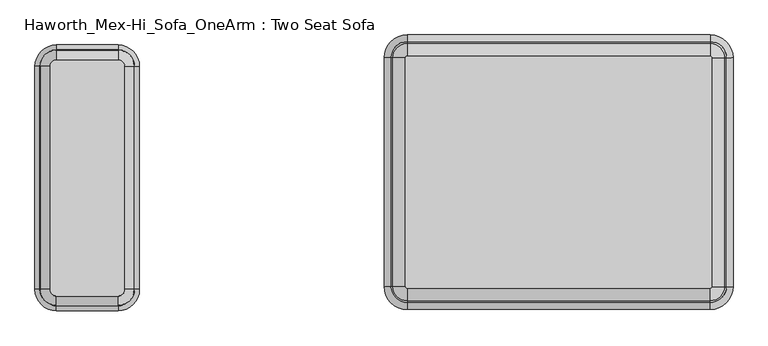
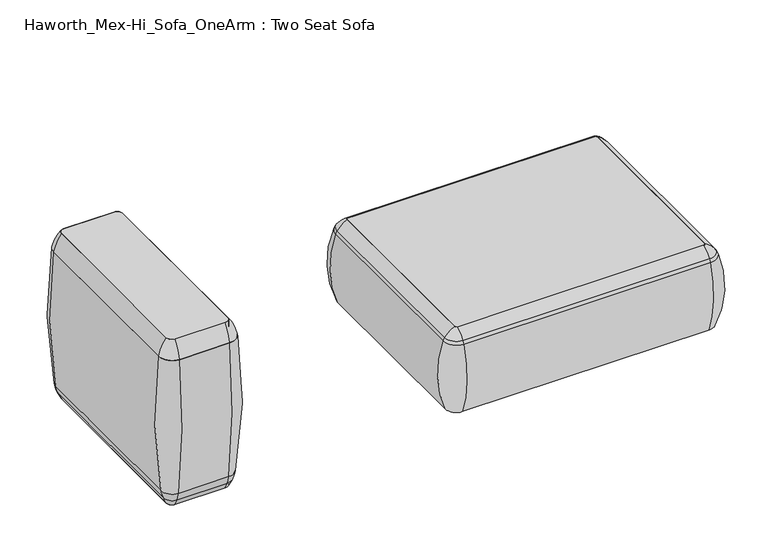
"""IFC4 building model written with IfcOpenShell, lengths in millimetres: furniture geometry, Haworth_Mex-Hi_Sofa_OneArm : Two Seat Sofa."""

from ifc_helpers import new_model, si_unit, point, frame, frame_2d, origin, place, context, project, spatial, polyline, circle_curve, ellipse_curve, trimmed, segment, composite_curve, outline, extrude, source, transform, mapped, element, save
from ifc_brep_helpers import plane_surface, cylinder_surface, revolved_surface, advanced_brep


def haworth_mex_hi_sofa_onearm_two_seat_sofa_c8e1b5d7(model_context):
    return source(origin(), model_context, "Body", "SolidModel", [
        advanced_brep(
        [(-841.831867, -723.6878152, 172.8832103), (-805.8090558, -687.665004, 172.8832103), (-799.8057646, -687.665004, 622.5428731), (-841.831867, -729.6911064, 622.5428731), (-841.831867, -715.7737554, 145.7420675), (-813.7231156, -687.665004, 145.7420675), (-841.831867, -705.1100792, 123.9999984), (-824.3867918, -687.665004, 123.9999984), (-841.831867, -705.1100792, 676.7599216), (-824.3867918, -687.665004, 676.7599216), (-1000.554649, -729.6911064, 622.5428731), (-1000.554649, -723.6878152, 172.8832103), (-1000.554649, -715.7737554, 145.7420675), (-1000.554649, -705.1100792, 123.9999984), (-1000.554649, -705.1100792, 676.7599216), (-1036.5774602, -687.665004, 172.8832103), (-1042.5807514, -687.665004, 622.5428731), (-1028.6634004, -687.665004, 145.7420675), (-1017.9997243, -687.665004, 123.9999984), (-1017.9997243, -687.665004, 676.7599216), (-1042.5807514, -113.9650752, 622.5428731), (-1036.5774602, -113.9650752, 172.8832103), (-1028.6634004, -113.9650752, 145.7420675), (-1017.9997243, -113.9650752, 123.9999984), (-1017.9997243, -113.9650752, 676.7599216), (-1000.554649, -77.9422641, 172.8832103), (-1000.554649, -71.9389729, 622.5428731), (-1000.554649, -85.8563238, 145.7420675), (-1000.554649, -96.52, 123.9999984), (-1000.554649, -96.52, 676.7599216), (-841.831867, -71.9389729, 622.5428731), (-841.831867, -77.9422641, 172.8832103), (-841.831867, -85.8563238, 145.7420675), (-841.831867, -96.52, 123.9999984), (-841.831867, -96.52, 676.7599216), (-805.8090558, -113.9650752, 172.8832103), (-799.8057646, -113.9650752, 622.5428731), (-813.7231156, -113.9650752, 145.7420675), (-824.3867918, -113.9650752, 123.9999984), (-824.3867918, -113.9650752, 676.7599216), (-841.831867, -729.4564007, 624.0097122), (-800.0404704, -687.665004, 624.0097122), (-1000.554649, -729.4564007, 624.0097122), (-1042.3460457, -687.665004, 624.0097122), (-1042.3460457, -113.9650752, 624.0097122), (-1000.554649, -72.1736786, 624.0097122), (-841.831867, -72.1736786, 624.0097122), (-800.0404704, -113.9650752, 624.0097122)],
        [
            (0, 1, circle_curve(frame((-841.831867, -687.665004, 172.8832103), z_axis=(0.0, 0.0, 1.0), x_axis=(1.0, 0.0, 0.0)), 36.0228111)),
            (1, 2, circle_curve(frame((-2366.9005751, -687.665004, 418.5948497), z_axis=(0.0, -1.0, 0.0), x_axis=(1.0, 0.0, 0.0)), 1580.3103939)),
            (2, 3, circle_curve(frame((-841.831867, -687.665004, 622.5428731), z_axis=(0.0, 0.0, -1.0), x_axis=(1.0, 0.0, 0.0)), 42.0261023)),
            (3, 0, circle_curve(frame((-841.831867, 837.4037041, 418.5948497), z_axis=(1.0, 0.0, 0.0), x_axis=(0.0, -1.0, 0.0)), 1580.3103939)),
            (4, 5, circle_curve(frame((-841.831867, -687.665004, 145.7420675), z_axis=(0.0, 0.0, 1.0), x_axis=(1.0, 0.0, 0.0)), 28.1087514)),
            (5, 1, circle_curve(frame((-915.5356418, -687.665004, 190.1538821), z_axis=(0.0, -1.0, 0.0), x_axis=(1.0, 0.0, 0.0)), 111.0774494)),
            (0, 4, circle_curve(frame((-841.831867, -613.9612292, 190.1538821), z_axis=(1.0, 0.0, 0.0), x_axis=(0.0, -1.0, 0.0)), 111.0774494)),
            (6, 7, circle_curve(frame((-841.831867, -687.665004, 123.9999984), z_axis=(0.0, 0.0, 1.0), x_axis=(1.0, 0.0, 0.0)), 17.4450752)),
            (7, 5, circle_curve(frame((-1062.3097905, -687.665004, 254.1784823), z_axis=(0.0, -1.0, 0.0), x_axis=(1.0, 0.0, 0.0)), 271.2080216)),
            (4, 6, circle_curve(frame((-841.831867, -467.1870805, 254.1784823), z_axis=(1.0, 0.0, 0.0), x_axis=(0.0, -1.0, 0.0)), 271.2080216)),
            (8, 9, circle_curve(frame((-841.831867, -687.665004, 676.7599216), z_axis=(0.0, 0.0, 1.0), x_axis=(1.0, 0.0, 0.0)), 17.4450752)),
            (9, 7),
            (6, 8),
            (3, 10),
            (10, 11, circle_curve(frame((-1000.554649, 837.4037041, 418.5948497), z_axis=(1.0, 0.0, 0.0), x_axis=(0.0, -1.0, 0.0)), 1580.3103939)),
            (11, 0),
            (11, 12, circle_curve(frame((-1000.554649, -613.9612292, 190.1538821), z_axis=(1.0, 0.0, 0.0), x_axis=(0.0, -1.0, 0.0)), 111.0774494)),
            (12, 4),
            (12, 13, circle_curve(frame((-1000.554649, -467.1870805, 254.1784823), z_axis=(1.0, 0.0, 0.0), x_axis=(0.0, -1.0, 0.0)), 271.2080216)),
            (13, 6),
            (13, 14),
            (14, 8),
            (15, 11, circle_curve(frame((-1000.554649, -687.665004, 172.8832103), z_axis=(0.0, 0.0, 1.0), x_axis=(0.0, -1.0, 0.0)), 36.0228111)),
            (10, 16, circle_curve(frame((-1000.554649, -687.665004, 622.5428731), z_axis=(0.0, 0.0, -1.0), x_axis=(0.0, -1.0, 0.0)), 42.0261023)),
            (16, 15, circle_curve(frame((524.5140591, -687.665004, 418.5948497), z_axis=(0.0, -1.0, 0.0), x_axis=(-1.0, 0.0, 0.0)), 1580.3103939)),
            (17, 12, circle_curve(frame((-1000.554649, -687.665004, 145.7420675), z_axis=(0.0, 0.0, 1.0), x_axis=(0.0, -1.0, 0.0)), 28.1087514)),
            (15, 17, circle_curve(frame((-926.8508742, -687.665004, 190.1538821), z_axis=(0.0, -1.0, 0.0), x_axis=(-1.0, 0.0, 0.0)), 111.0774494)),
            (18, 13, circle_curve(frame((-1000.554649, -687.665004, 123.9999984), z_axis=(0.0, 0.0, 1.0), x_axis=(0.0, -1.0, 0.0)), 17.4450752)),
            (17, 18, circle_curve(frame((-780.0767255, -687.665004, 254.1784823), z_axis=(0.0, -1.0, 0.0), x_axis=(-1.0, 0.0, 0.0)), 271.2080216)),
            (19, 14, circle_curve(frame((-1000.554649, -687.665004, 676.7599216), z_axis=(0.0, 0.0, 1.0), x_axis=(0.0, -1.0, 0.0)), 17.4450752)),
            (18, 19),
            (16, 20),
            (20, 21, circle_curve(frame((524.5140591, -113.9650752, 418.5948497), z_axis=(0.0, -1.0, 0.0), x_axis=(-1.0, 0.0, 0.0)), 1580.3103939)),
            (21, 15),
            (21, 22, circle_curve(frame((-926.8508742, -113.9650752, 190.1538821), z_axis=(0.0, -1.0, 0.0), x_axis=(-1.0, 0.0, 0.0)), 111.0774494)),
            (22, 17),
            (22, 23, circle_curve(frame((-780.0767255, -113.9650752, 254.1784823), z_axis=(0.0, -1.0, 0.0), x_axis=(-1.0, 0.0, 0.0)), 271.2080216)),
            (23, 18),
            (23, 24),
            (24, 19),
            (25, 21, circle_curve(frame((-1000.554649, -113.9650752, 172.8832103), z_axis=(0.0, 0.0, 1.0), x_axis=(-1.0, 0.0, 0.0)), 36.0228111)),
            (20, 26, circle_curve(frame((-1000.554649, -113.9650752, 622.5428731), z_axis=(0.0, 0.0, -1.0), x_axis=(-1.0, 0.0, 0.0)), 42.0261023)),
            (26, 25, circle_curve(frame((-1000.554649, -1639.0337833, 418.5948497), z_axis=(-1.0, 0.0, 0.0), x_axis=(0.0, 1.0, 0.0)), 1580.3103939)),
            (27, 22, circle_curve(frame((-1000.554649, -113.9650752, 145.7420675), z_axis=(0.0, 0.0, 1.0), x_axis=(-1.0, 0.0, 0.0)), 28.1087514)),
            (25, 27, circle_curve(frame((-1000.554649, -187.66885, 190.1538821), z_axis=(-1.0, 0.0, 0.0), x_axis=(0.0, 1.0, 0.0)), 111.0774494)),
            (28, 23, circle_curve(frame((-1000.554649, -113.9650752, 123.9999984), z_axis=(0.0, 0.0, 1.0), x_axis=(-1.0, 0.0, 0.0)), 17.4450752)),
            (27, 28, circle_curve(frame((-1000.554649, -334.4429987, 254.1784823), z_axis=(-1.0, 0.0, 0.0), x_axis=(0.0, 1.0, 0.0)), 271.2080216)),
            (29, 24, circle_curve(frame((-1000.554649, -113.9650752, 676.7599216), z_axis=(0.0, 0.0, 1.0), x_axis=(-1.0, 0.0, 0.0)), 17.4450752)),
            (28, 29),
            (26, 30),
            (30, 31, circle_curve(frame((-841.831867, -1639.0337833, 418.5948497), z_axis=(-1.0, 0.0, 0.0), x_axis=(0.0, 1.0, 0.0)), 1580.3103939)),
            (31, 25),
            (31, 32, circle_curve(frame((-841.831867, -187.66885, 190.1538821), z_axis=(-1.0, 0.0, 0.0), x_axis=(0.0, 1.0, 0.0)), 111.0774494)),
            (32, 27),
            (32, 33, circle_curve(frame((-841.831867, -334.4429987, 254.1784823), z_axis=(-1.0, 0.0, 0.0), x_axis=(0.0, 1.0, 0.0)), 271.2080216)),
            (33, 28),
            (33, 34),
            (34, 29),
            (35, 31, circle_curve(frame((-841.831867, -113.9650752, 172.8832103), z_axis=(0.0, 0.0, 1.0), x_axis=(0.0, 1.0, 0.0)), 36.0228111)),
            (30, 36, circle_curve(frame((-841.831867, -113.9650752, 622.5428731), z_axis=(0.0, 0.0, -1.0), x_axis=(0.0, 1.0, 0.0)), 42.0261023)),
            (36, 35, circle_curve(frame((-2366.9005751, -113.9650752, 418.5948497), z_axis=(0.0, 1.0, 0.0), x_axis=(1.0, 0.0, 0.0)), 1580.3103939)),
            (37, 32, circle_curve(frame((-841.831867, -113.9650752, 145.7420675), z_axis=(0.0, 0.0, 1.0), x_axis=(0.0, 1.0, 0.0)), 28.1087514)),
            (35, 37, circle_curve(frame((-915.5356418, -113.9650752, 190.1538821), z_axis=(0.0, 1.0, 0.0), x_axis=(1.0, 0.0, 0.0)), 111.0774494)),
            (38, 33, circle_curve(frame((-841.831867, -113.9650752, 123.9999984), z_axis=(0.0, 0.0, 1.0), x_axis=(0.0, 1.0, 0.0)), 17.4450752)),
            (37, 38, circle_curve(frame((-1062.3097905, -113.9650752, 254.1784823), z_axis=(0.0, 1.0, 0.0), x_axis=(1.0, 0.0, 0.0)), 271.2080216)),
            (39, 34, circle_curve(frame((-841.831867, -113.9650752, 676.7599216), z_axis=(0.0, 0.0, 1.0), x_axis=(0.0, 1.0, 0.0)), 17.4450752)),
            (38, 39),
            (36, 2),
            (1, 35),
            (5, 37),
            (7, 38),
            (9, 39),
            (40, 41, circle_curve(frame((-841.831867, -687.665004, 624.0097122), z_axis=(0.0, 0.0, 1.0), x_axis=(1.0, 0.0, 0.0)), 41.7913966)),
            (41, 9, circle_curve(frame((-917.9291956, -687.665004, 601.5928757), z_axis=(0.0, -1.0, 0.0), x_axis=(1.0, 0.0, 0.0)), 120.0011087)),
            (8, 40, circle_curve(frame((-841.831867, -611.5676755, 601.5928757), z_axis=(1.0, 0.0, 0.0), x_axis=(0.0, -1.0, 0.0)), 120.0011087)),
            (2, 41, circle_curve(frame((-824.9933533, -687.665004, 619.264859), z_axis=(0.0, -1.0, 0.0), x_axis=(1.0, 0.0, 0.0)), 25.4)),
            (40, 3, circle_curve(frame((-841.831867, -704.5035177, 619.264859), z_axis=(1.0, 0.0, 0.0), x_axis=(0.0, -1.0, 0.0)), 25.4)),
            (14, 42, circle_curve(frame((-1000.554649, -611.5676755, 601.5928757), z_axis=(1.0, 0.0, 0.0), x_axis=(0.0, -1.0, 0.0)), 120.0011087)),
            (42, 40),
            (42, 10, circle_curve(frame((-1000.554649, -704.5035177, 619.264859), z_axis=(1.0, 0.0, 0.0), x_axis=(0.0, -1.0, 0.0)), 25.4)),
            (43, 42, circle_curve(frame((-1000.554649, -687.665004, 624.0097122), z_axis=(0.0, 0.0, 1.0), x_axis=(0.0, -1.0, 0.0)), 41.7913966)),
            (19, 43, circle_curve(frame((-924.4573205, -687.665004, 601.5928757), z_axis=(0.0, -1.0, 0.0), x_axis=(-1.0, 0.0, 0.0)), 120.0011087)),
            (43, 16, circle_curve(frame((-1017.3931627, -687.665004, 619.264859), z_axis=(0.0, -1.0, 0.0), x_axis=(-1.0, 0.0, 0.0)), 25.4)),
            (24, 44, circle_curve(frame((-924.4573205, -113.9650752, 601.5928757), z_axis=(0.0, -1.0, 0.0), x_axis=(-1.0, 0.0, 0.0)), 120.0011087)),
            (44, 43),
            (44, 20, circle_curve(frame((-1017.3931627, -113.9650752, 619.264859), z_axis=(0.0, -1.0, 0.0), x_axis=(-1.0, 0.0, 0.0)), 25.4)),
            (45, 44, circle_curve(frame((-1000.554649, -113.9650752, 624.0097122), z_axis=(0.0, 0.0, 1.0), x_axis=(-1.0, 0.0, 0.0)), 41.7913966)),
            (29, 45, circle_curve(frame((-1000.554649, -190.0624038, 601.5928757), z_axis=(-1.0, 0.0, 0.0), x_axis=(0.0, 1.0, 0.0)), 120.0011087)),
            (45, 26, circle_curve(frame((-1000.554649, -97.1265615, 619.264859), z_axis=(-1.0, 0.0, 0.0), x_axis=(0.0, 1.0, 0.0)), 25.4)),
            (34, 46, circle_curve(frame((-841.831867, -190.0624038, 601.5928757), z_axis=(-1.0, 0.0, 0.0), x_axis=(0.0, 1.0, 0.0)), 120.0011087)),
            (46, 45),
            (46, 30, circle_curve(frame((-841.831867, -97.1265615, 619.264859), z_axis=(-1.0, 0.0, 0.0), x_axis=(0.0, 1.0, 0.0)), 25.4)),
            (47, 46, circle_curve(frame((-841.831867, -113.9650752, 624.0097122), z_axis=(0.0, 0.0, 1.0), x_axis=(0.0, 1.0, 0.0)), 41.7913966)),
            (39, 47, circle_curve(frame((-917.9291956, -113.9650752, 601.5928757), z_axis=(0.0, 1.0, 0.0), x_axis=(1.0, 0.0, 0.0)), 120.0011087)),
            (47, 36, circle_curve(frame((-824.9933533, -113.9650752, 619.264859), z_axis=(0.0, 1.0, 0.0), x_axis=(1.0, 0.0, 0.0)), 25.4)),
            (41, 47),
        ],
        [
            revolved_surface(trimmed(ellipse_curve(frame((-2366.9005751, -687.665004, 418.5948497), z_axis=(0.0, 1.0, 0.0), x_axis=(1.0, 0.0, 0.0)), 1580.3103939, 1580.3103939), [point((-799.8057646, -687.665004, 622.5428731))], [point((-805.8090558, -687.665004, 172.8832103))], True, "CARTESIAN"), (-841.831867, -687.665004, -1.2587073), (0.0, 0.0, -1.0)),
            revolved_surface(trimmed(ellipse_curve(frame((-915.5356418, -687.665004, 190.1538821), z_axis=(0.0, 1.0, 0.0), x_axis=(1.0, 0.0, 0.0)), 111.0774494, 111.0774494), [point((-805.8090558, -687.665004, 172.8832103))], [point((-813.7231156, -687.665004, 145.7420675))], True, "CARTESIAN"), (-841.831867, -687.665004, -1.2587073), (0.0, 0.0, -1.0)),
            revolved_surface(trimmed(ellipse_curve(frame((-1062.3097905, -687.665004, 254.1784823), z_axis=(0.0, 1.0, 0.0), x_axis=(1.0, 0.0, 0.0)), 271.2080216, 271.2080216), [point((-813.7231156, -687.665004, 145.7420675))], [point((-824.3867918, -687.665004, 123.9999984))], True, "CARTESIAN"), (-841.831867, -687.665004, -1.2587073), (0.0, 0.0, -1.0)),
            revolved_surface(polyline([(-824.3867918, -687.665004, 123.9999984), (-824.3867918, -687.665004, 676.7599216)]), (-841.831867, -687.665004, -1.2587073), (0.0, 0.0, -1.0)),
            cylinder_surface(frame((-841.831867, 837.4037041, 418.5948497), z_axis=(1.0, 0.0, 0.0), x_axis=(0.0, -1.0, 0.0)), 1580.3103939),
            cylinder_surface(frame((-841.831867, -613.9612292, 190.1538821), z_axis=(1.0, 0.0, 0.0), x_axis=(0.0, -1.0, 0.0)), 111.0774494),
            cylinder_surface(frame((-841.831867, -467.1870805, 254.1784823), z_axis=(1.0, 0.0, 0.0), x_axis=(0.0, -1.0, 0.0)), 271.2080216),
            plane_surface(frame((-841.831867, -705.1100792, 123.9999984), z_axis=(0.0, 1.0, 0.0), x_axis=(-1.0, 0.0, 0.0))),
            revolved_surface(trimmed(ellipse_curve(frame((-1000.554649, 837.4037041, 418.5948497), z_axis=(1.0, 0.0, 0.0), x_axis=(0.0, -1.0, 0.0)), 1580.3103939, 1580.3103939), [point((-1000.554649, -729.6911064, 622.5428731))], [point((-1000.554649, -723.6878152, 172.8832103))], True, "CARTESIAN"), (-1000.554649, -687.665004, -1.2587073), (0.0, 0.0, -1.0)),
            revolved_surface(trimmed(ellipse_curve(frame((-1000.554649, -613.9612292, 190.1538821), z_axis=(1.0, 0.0, 0.0), x_axis=(0.0, -1.0, 0.0)), 111.0774494, 111.0774494), [point((-1000.554649, -723.6878152, 172.8832103))], [point((-1000.554649, -715.7737554, 145.7420675))], True, "CARTESIAN"), (-1000.554649, -687.665004, -1.2587073), (0.0, 0.0, -1.0)),
            revolved_surface(trimmed(ellipse_curve(frame((-1000.554649, -467.1870805, 254.1784823), z_axis=(1.0, 0.0, 0.0), x_axis=(0.0, -1.0, 0.0)), 271.2080216, 271.2080216), [point((-1000.554649, -715.7737554, 145.7420675))], [point((-1000.554649, -705.1100792, 123.9999984))], True, "CARTESIAN"), (-1000.554649, -687.665004, -1.2587073), (0.0, 0.0, -1.0)),
            revolved_surface(polyline([(-1000.554649, -705.1100792, 123.9999984), (-1000.554649, -705.1100792, 676.7599216)]), (-1000.554649, -687.665004, -1.2587073), (0.0, 0.0, -1.0)),
            cylinder_surface(frame((524.5140591, -687.665004, 418.5948497), z_axis=(0.0, -1.0, 0.0), x_axis=(-1.0, 0.0, 0.0)), 1580.3103939),
            cylinder_surface(frame((-926.8508742, -687.665004, 190.1538821), z_axis=(0.0, -1.0, 0.0), x_axis=(-1.0, 0.0, 0.0)), 111.0774494),
            cylinder_surface(frame((-780.0767255, -687.665004, 254.1784823), z_axis=(0.0, -1.0, 0.0), x_axis=(-1.0, 0.0, 0.0)), 271.2080216),
            plane_surface(frame((-1017.9997243, -687.665004, 123.9999984), z_axis=(1.0, 0.0, 0.0), x_axis=(0.0, 1.0, 0.0))),
            revolved_surface(trimmed(ellipse_curve(frame((524.5140591, -113.9650752, 418.5948497), z_axis=(0.0, -1.0, 0.0), x_axis=(-1.0, 0.0, 0.0)), 1580.3103939, 1580.3103939), [point((-1042.5807514, -113.9650752, 622.5428731))], [point((-1036.5774602, -113.9650752, 172.8832103))], True, "CARTESIAN"), (-1000.554649, -113.9650752, -1.2587073), (0.0, 0.0, -1.0)),
            revolved_surface(trimmed(ellipse_curve(frame((-926.8508742, -113.9650752, 190.1538821), z_axis=(0.0, -1.0, 0.0), x_axis=(-1.0, 0.0, 0.0)), 111.0774494, 111.0774494), [point((-1036.5774602, -113.9650752, 172.8832103))], [point((-1028.6634004, -113.9650752, 145.7420675))], True, "CARTESIAN"), (-1000.554649, -113.9650752, -1.2587073), (0.0, 0.0, -1.0)),
            revolved_surface(trimmed(ellipse_curve(frame((-780.0767255, -113.9650752, 254.1784823), z_axis=(0.0, -1.0, 0.0), x_axis=(-1.0, 0.0, 0.0)), 271.2080216, 271.2080216), [point((-1028.6634004, -113.9650752, 145.7420675))], [point((-1017.9997243, -113.9650752, 123.9999984))], True, "CARTESIAN"), (-1000.554649, -113.9650752, -1.2587073), (0.0, 0.0, -1.0)),
            revolved_surface(polyline([(-1017.9997242000001, -113.9650752, 123.9999984), (-1017.9997242000001, -113.9650752, 676.7599216)]), (-1000.554649, -113.9650752, -1.2587073), (0.0, 0.0, -1.0)),
            cylinder_surface(frame((-1000.554649, -1639.0337833, 418.5948497), z_axis=(-1.0, 0.0, 0.0), x_axis=(0.0, 1.0, 0.0)), 1580.3103939),
            cylinder_surface(frame((-1000.554649, -187.66885, 190.1538821), z_axis=(-1.0, 0.0, 0.0), x_axis=(0.0, 1.0, 0.0)), 111.0774494),
            cylinder_surface(frame((-1000.554649, -334.4429987, 254.1784823), z_axis=(-1.0, 0.0, 0.0), x_axis=(0.0, 1.0, 0.0)), 271.2080216),
            plane_surface(frame((-1000.554649, -96.52, 123.9999984), z_axis=(0.0, -1.0, 0.0), x_axis=(1.0, 0.0, 0.0))),
            revolved_surface(trimmed(ellipse_curve(frame((-841.831867, -1639.0337833, 418.5948497), z_axis=(-1.0, 0.0, 0.0), x_axis=(0.0, 1.0, 0.0)), 1580.3103939, 1580.3103939), [point((-841.831867, -71.9389729, 622.5428731))], [point((-841.831867, -77.9422641, 172.8832103))], True, "CARTESIAN"), (-841.831867, -113.9650752, -1.2587073), (0.0, 0.0, -1.0)),
            revolved_surface(trimmed(ellipse_curve(frame((-841.831867, -187.66885, 190.1538821), z_axis=(-1.0, 0.0, 0.0), x_axis=(0.0, 1.0, 0.0)), 111.0774494, 111.0774494), [point((-841.831867, -77.9422641, 172.8832103))], [point((-841.831867, -85.8563238, 145.7420675))], True, "CARTESIAN"), (-841.831867, -113.9650752, -1.2587073), (0.0, 0.0, -1.0)),
            revolved_surface(trimmed(ellipse_curve(frame((-841.831867, -334.4429987, 254.1784823), z_axis=(-1.0, 0.0, 0.0), x_axis=(0.0, 1.0, 0.0)), 271.2080216, 271.2080216), [point((-841.831867, -85.8563238, 145.7420675))], [point((-841.831867, -96.52, 123.9999984))], True, "CARTESIAN"), (-841.831867, -113.9650752, -1.2587073), (0.0, 0.0, -1.0)),
            revolved_surface(polyline([(-841.831867, -96.52, 123.9999984), (-841.831867, -96.52, 676.7599216)]), (-841.831867, -113.9650752, -1.2587073), (0.0, 0.0, -1.0)),
            cylinder_surface(frame((-2366.9005751, -113.9650752, 418.5948497), z_axis=(0.0, 1.0, 0.0), x_axis=(1.0, 0.0, 0.0)), 1580.3103939),
            cylinder_surface(frame((-915.5356418, -113.9650752, 190.1538821), z_axis=(0.0, 1.0, 0.0), x_axis=(1.0, 0.0, 0.0)), 111.0774494),
            cylinder_surface(frame((-1062.3097905, -113.9650752, 254.1784823), z_axis=(0.0, 1.0, 0.0), x_axis=(1.0, 0.0, 0.0)), 271.2080216),
            plane_surface(frame((-824.3867918, -113.9650752, 123.9999984), z_axis=(-1.0, 0.0, 0.0), x_axis=(0.0, -1.0, 0.0))),
            revolved_surface(trimmed(ellipse_curve(frame((-917.9291956, -687.665004, 601.5928757), z_axis=(0.0, 1.0, 0.0), x_axis=(1.0, 0.0, 0.0)), 120.0011087, 120.0011087), [point((-824.3867918, -687.665004, 676.7599216))], [point((-800.0404704, -687.665004, 624.0097122))], True, "CARTESIAN"), (-841.831867, -687.665004, -1.2587073), (0.0, 0.0, -1.0)),
            revolved_surface(trimmed(ellipse_curve(frame((-824.9933533, -687.665004, 619.264859), z_axis=(0.0, 1.0, 0.0), x_axis=(1.0, 0.0, 0.0)), 25.4, 25.4), [point((-800.0404704, -687.665004, 624.0097122))], [point((-799.8057646, -687.665004, 622.5428731))], True, "CARTESIAN"), (-841.831867, -687.665004, -1.2587073), (0.0, 0.0, -1.0)),
            cylinder_surface(frame((-841.831867, -611.5676755, 601.5928757), z_axis=(1.0, 0.0, 0.0), x_axis=(0.0, -1.0, 0.0)), 120.0011087),
            cylinder_surface(frame((-841.831867, -704.5035177, 619.264859), z_axis=(1.0, 0.0, 0.0), x_axis=(0.0, -1.0, 0.0)), 25.4),
            revolved_surface(trimmed(ellipse_curve(frame((-1000.554649, -611.5676755, 601.5928757), z_axis=(1.0, 0.0, 0.0), x_axis=(0.0, -1.0, 0.0)), 120.0011087, 120.0011087), [point((-1000.554649, -705.1100792, 676.7599216))], [point((-1000.554649, -729.4564007, 624.0097122))], True, "CARTESIAN"), (-1000.554649, -687.665004, -1.2587073), (0.0, 0.0, -1.0)),
            revolved_surface(trimmed(ellipse_curve(frame((-1000.554649, -704.5035177, 619.264859), z_axis=(1.0, 0.0, 0.0), x_axis=(0.0, -1.0, 0.0)), 25.4, 25.4), [point((-1000.554649, -729.4564007, 624.0097122))], [point((-1000.554649, -729.6911064, 622.5428731))], True, "CARTESIAN"), (-1000.554649, -687.665004, -1.2587073), (0.0, 0.0, -1.0)),
            cylinder_surface(frame((-924.4573205, -687.665004, 601.5928757), z_axis=(0.0, -1.0, 0.0), x_axis=(-1.0, 0.0, 0.0)), 120.0011087),
            cylinder_surface(frame((-1017.3931627, -687.665004, 619.264859), z_axis=(0.0, -1.0, 0.0), x_axis=(-1.0, 0.0, 0.0)), 25.4),
            revolved_surface(trimmed(ellipse_curve(frame((-924.4573205, -113.9650752, 601.5928757), z_axis=(0.0, -1.0, 0.0), x_axis=(-1.0, 0.0, 0.0)), 120.0011087, 120.0011087), [point((-1017.9997243, -113.9650752, 676.7599216))], [point((-1042.3460457, -113.9650752, 624.0097122))], True, "CARTESIAN"), (-1000.554649, -113.9650752, -1.2587073), (0.0, 0.0, -1.0)),
            revolved_surface(trimmed(ellipse_curve(frame((-1017.3931627, -113.9650752, 619.264859), z_axis=(0.0, -1.0, 0.0), x_axis=(-1.0, 0.0, 0.0)), 25.4, 25.4), [point((-1042.3460457, -113.9650752, 624.0097122))], [point((-1042.5807514, -113.9650752, 622.5428731))], True, "CARTESIAN"), (-1000.554649, -113.9650752, -1.2587073), (0.0, 0.0, -1.0)),
            cylinder_surface(frame((-1000.554649, -190.0624038, 601.5928757), z_axis=(-1.0, 0.0, 0.0), x_axis=(0.0, 1.0, 0.0)), 120.0011087),
            cylinder_surface(frame((-1000.554649, -97.1265615, 619.264859), z_axis=(-1.0, 0.0, 0.0), x_axis=(0.0, 1.0, 0.0)), 25.4),
            revolved_surface(trimmed(ellipse_curve(frame((-841.831867, -190.0624038, 601.5928757), z_axis=(-1.0, 0.0, 0.0), x_axis=(0.0, 1.0, 0.0)), 120.0011087, 120.0011087), [point((-841.831867, -96.52, 676.7599216))], [point((-841.831867, -72.1736786, 624.0097122))], True, "CARTESIAN"), (-841.831867, -113.9650752, -1.2587073), (0.0, 0.0, -1.0)),
            revolved_surface(trimmed(ellipse_curve(frame((-841.831867, -97.1265615, 619.264859), z_axis=(-1.0, 0.0, 0.0), x_axis=(0.0, 1.0, 0.0)), 25.4, 25.4), [point((-841.831867, -72.1736786, 624.0097122))], [point((-841.831867, -71.9389729, 622.5428731))], True, "CARTESIAN"), (-841.831867, -113.9650752, -1.2587073), (0.0, 0.0, -1.0)),
            cylinder_surface(frame((-917.9291956, -113.9650752, 601.5928757), z_axis=(0.0, 1.0, 0.0), x_axis=(1.0, 0.0, 0.0)), 120.0011087),
            cylinder_surface(frame((-824.9933533, -113.9650752, 619.264859), z_axis=(0.0, 1.0, 0.0), x_axis=(1.0, 0.0, 0.0)), 25.4),
        ],
        [
            (0, [[1, 2, 3, 4]]),
            (1, [[5, 6, -1, 7]]),
            (2, [[8, 9, -5, 10]]),
            (3, [[11, 12, -8, 13]]),
            (4, [[-4, 14, 15, 16]]),
            (5, [[-7, -16, 17, 18]]),
            (6, [[-10, -18, 19, 20]]),
            (7, [[-13, -20, 21, 22]]),
            (8, [[23, -15, 24, 25]]),
            (9, [[26, -17, -23, 27]]),
            (10, [[28, -19, -26, 29]]),
            (11, [[30, -21, -28, 31]]),
            (12, [[-25, 32, 33, 34]]),
            (13, [[-27, -34, 35, 36]]),
            (14, [[-29, -36, 37, 38]]),
            (15, [[-31, -38, 39, 40]]),
            (16, [[41, -33, 42, 43]]),
            (17, [[44, -35, -41, 45]]),
            (18, [[46, -37, -44, 47]]),
            (19, [[48, -39, -46, 49]]),
            (20, [[-43, 50, 51, 52]]),
            (21, [[-45, -52, 53, 54]]),
            (22, [[-47, -54, 55, 56]]),
            (23, [[-49, -56, 57, 58]]),
            (24, [[59, -51, 60, 61]]),
            (25, [[62, -53, -59, 63]]),
            (26, [[64, -55, -62, 65]]),
            (27, [[66, -57, -64, 67]]),
            (28, [[-61, 68, -2, 69]]),
            (29, [[-63, -69, -6, 70]]),
            (30, [[-65, -70, -9, 71]]),
            (31, [[-67, -71, -12, 72]]),
            (32, [[73, 74, -11, 75]]),
            (33, [[-3, 76, -73, 77]]),
            (34, [[-75, -22, 78, 79]]),
            (35, [[-77, -79, 80, -14]]),
            (36, [[81, -78, -30, 82]]),
            (37, [[-24, -80, -81, 83]]),
            (38, [[-82, -40, 84, 85]]),
            (39, [[-83, -85, 86, -32]]),
            (40, [[87, -84, -48, 88]]),
            (41, [[-42, -86, -87, 89]]),
            (42, [[-88, -58, 90, 91]]),
            (43, [[-89, -91, 92, -50]]),
            (44, [[93, -90, -66, 94]]),
            (45, [[-60, -92, -93, 95]]),
            (46, [[-94, -72, -74, 96]]),
            (47, [[-95, -96, -76, -68]]),
        ],
    ),
        extrude(outline(composite_curve([segment(trimmed(circle_curve(frame_2d((-841.831867, -687.7917021)), 17.4450752), [point((-824.3867918, -687.7917021))], [point((-841.831867, -705.2367773))], False, "CARTESIAN"), True, "CONTINUOUS"), segment(polyline([(-841.831867, -705.2367773), (-1000.554649, -705.2367773)]), True, "CONTINUOUS"), segment(trimmed(circle_curve(frame_2d((-1000.554649, -687.7917021)), 17.4450752), [point((-1000.554649, -705.2367773))], [point((-1017.9997243, -687.7917021))], False, "CARTESIAN"), True, "CONTINUOUS"), segment(polyline([(-1017.9997243, -687.7917021), (-1017.9997243, -113.9650752)]), True, "CONTINUOUS"), segment(trimmed(circle_curve(frame_2d((-1000.554649, -113.9650752)), 17.4450752), [point((-1017.9997243, -113.9650752))], [point((-1000.554649, -96.52))], False, "CARTESIAN"), True, "CONTINUOUS"), segment(polyline([(-1000.554649, -96.52), (-841.831867, -96.52)]), True, "CONTINUOUS"), segment(trimmed(circle_curve(frame_2d((-841.831867, -113.9650752)), 17.4450752), [point((-841.831867, -96.52))], [point((-824.3867918, -113.9650752))], False, "CARTESIAN"), True, "CONTINUOUS"), segment(polyline([(-824.3867918, -113.9650752), (-824.3867918, -687.7917021)]), True, "CONTINUOUS")], self_intersect=False)), frame((0.0, 0.0, 123.9999984), z_axis=(0.0, 0.0, 1.0), x_axis=(1.0, 0.0, 0.0)), (0.0, 0.0, 1.0), 552.7599232),
        advanced_brep(
        [(-103.5651735, -680.3856623, 390.3914007), (-98.2853663, -685.6654695, 390.3914007), (-98.2853663, -685.6654695, 123.9999984), (-103.5651735, -680.3856623, 123.9999984), (-132.2532177, -680.3856623, 123.9999984), (-98.2853663, -714.3535137, 123.9999984), (-98.2853663, -722.0329787, 353.7769053), (-139.9326827, -680.3856623, 353.7769053), (-103.5651735, -92.2092577, 123.9999984), (-103.5651735, -92.2092577, 390.3914007), (-139.9326827, -92.2092577, 353.7769053), (-132.2532177, -92.2092577, 123.9999984), (-98.2853663, -86.9294504, 390.3914007), (-98.2853663, -86.9294504, 123.9999984), (-98.2853663, -58.2414063, 123.9999984), (-98.2853663, -50.5619412, 353.7769053), (681.4946337, -86.9294504, 123.9999984), (681.4946337, -86.9294504, 390.3914007), (681.4946337, -50.5619412, 353.7769053), (681.4946337, -58.2414063, 123.9999984), (686.774441, -92.2092577, 390.3914007), (686.774441, -92.2092577, 123.9999984), (715.4624852, -92.2092577, 123.9999984), (723.1419502, -92.2092577, 353.7769053), (686.774441, -680.3856623, 123.9999984), (686.774441, -680.3856623, 390.3914007), (723.1419502, -680.3856623, 353.7769053), (715.4624852, -680.3856623, 123.9999984), (681.4946337, -685.6654695, 390.3914007), (681.4946337, -685.6654695, 123.9999984), (681.4946337, -714.3535137, 123.9999984), (681.4946337, -722.0329787, 353.7769053), (-134.7142228, -680.3856623, 363.6402875), (-98.2853663, -716.8145188, 363.6402875), (-134.7142228, -92.2092577, 363.6402875), (-98.2853663, -55.7804011, 363.6402875), (681.4946337, -55.7804011, 363.6402875), (717.9234903, -92.2092577, 363.6402875), (717.9234903, -680.3856623, 363.6402875), (681.4946337, -716.8145188, 363.6402875)],
        [
            (0, 1, circle_curve(frame((-98.2853663, -680.3856623, 390.3914007), z_axis=(0.0, 0.0, 1.0), x_axis=(0.0, -1.0, 0.0)), 5.2798073)),
            (1, 2),
            (2, 3, circle_curve(frame((-98.2853663, -680.3856623, 123.9999984), z_axis=(0.0, 0.0, -1.0), x_axis=(0.0, -1.0, 0.0)), 5.2798073)),
            (3, 0),
            (4, 5, circle_curve(frame((-98.2853663, -680.3856623, 123.9999984), z_axis=(0.0, 0.0, 1.0), x_axis=(0.0, -1.0, 0.0)), 33.9678514)),
            (5, 6, circle_curve(frame((-98.2853663, -417.9792297, 248.9220234), z_axis=(-1.0, 0.0, 0.0), x_axis=(0.0, -1.0, 0.0)), 321.625914)),
            (6, 7, circle_curve(frame((-98.2853663, -680.3856623, 353.7769053), z_axis=(0.0, 0.0, -1.0), x_axis=(0.0, -1.0, 0.0)), 41.6473165)),
            (7, 4, circle_curve(frame((164.1210663, -680.3856623, 248.9220234), z_axis=(0.0, -1.0, 0.0), x_axis=(-1.0, 0.0, 0.0)), 321.625914)),
            (3, 8),
            (8, 9),
            (9, 0),
            (7, 10),
            (10, 11, circle_curve(frame((164.1210663, -92.2092577, 248.9220234), z_axis=(0.0, -1.0, 0.0), x_axis=(-1.0, 0.0, 0.0)), 321.625914)),
            (11, 4),
            (12, 9, circle_curve(frame((-98.2853663, -92.2092577, 390.3914007), z_axis=(0.0, 0.0, 1.0), x_axis=(-1.0, 0.0, 0.0)), 5.2798073)),
            (8, 13, circle_curve(frame((-98.2853663, -92.2092577, 123.9999984), z_axis=(0.0, 0.0, -1.0), x_axis=(-1.0, 0.0, 0.0)), 5.2798073)),
            (13, 12),
            (14, 11, circle_curve(frame((-98.2853663, -92.2092577, 123.9999984), z_axis=(0.0, 0.0, 1.0), x_axis=(-1.0, 0.0, 0.0)), 33.9678514)),
            (10, 15, circle_curve(frame((-98.2853663, -92.2092577, 353.7769053), z_axis=(0.0, 0.0, -1.0), x_axis=(-1.0, 0.0, 0.0)), 41.6473165)),
            (15, 14, circle_curve(frame((-98.2853663, -354.6156902, 248.9220234), z_axis=(-1.0, 0.0, 0.0), x_axis=(0.0, 1.0, 0.0)), 321.625914)),
            (13, 16),
            (16, 17),
            (17, 12),
            (15, 18),
            (18, 19, circle_curve(frame((681.4946337, -354.6156902, 248.9220234), z_axis=(-1.0, 0.0, 0.0), x_axis=(0.0, 1.0, 0.0)), 321.625914)),
            (19, 14),
            (20, 17, circle_curve(frame((681.4946337, -92.2092577, 390.3914007), z_axis=(0.0, 0.0, 1.0), x_axis=(0.0, 1.0, 0.0)), 5.2798073)),
            (16, 21, circle_curve(frame((681.4946337, -92.2092577, 123.9999984), z_axis=(0.0, 0.0, -1.0), x_axis=(0.0, 1.0, 0.0)), 5.2798073)),
            (21, 20),
            (22, 19, circle_curve(frame((681.4946337, -92.2092577, 123.9999984), z_axis=(0.0, 0.0, 1.0), x_axis=(0.0, 1.0, 0.0)), 33.9678514)),
            (18, 23, circle_curve(frame((681.4946337, -92.2092577, 353.7769053), z_axis=(0.0, 0.0, -1.0), x_axis=(0.0, 1.0, 0.0)), 41.6473165)),
            (23, 22, circle_curve(frame((419.0882012, -92.2092577, 248.9220234), z_axis=(0.0, 1.0, 0.0), x_axis=(1.0, 0.0, 0.0)), 321.625914)),
            (21, 24),
            (24, 25),
            (25, 20),
            (23, 26),
            (26, 27, circle_curve(frame((419.0882012, -680.3856623, 248.9220234), z_axis=(0.0, 1.0, 0.0), x_axis=(1.0, 0.0, 0.0)), 321.625914)),
            (27, 22),
            (28, 25, circle_curve(frame((681.4946337, -680.3856623, 390.3914007), z_axis=(0.0, 0.0, 1.0), x_axis=(1.0, 0.0, 0.0)), 5.2798073)),
            (24, 29, circle_curve(frame((681.4946337, -680.3856623, 123.9999984), z_axis=(0.0, 0.0, -1.0), x_axis=(1.0, 0.0, 0.0)), 5.2798073)),
            (29, 28),
            (30, 27, circle_curve(frame((681.4946337, -680.3856623, 123.9999984), z_axis=(0.0, 0.0, 1.0), x_axis=(1.0, 0.0, 0.0)), 33.9678514)),
            (26, 31, circle_curve(frame((681.4946337, -680.3856623, 353.7769053), z_axis=(0.0, 0.0, -1.0), x_axis=(1.0, 0.0, 0.0)), 41.6473165)),
            (31, 30, circle_curve(frame((681.4946337, -417.9792297, 248.9220234), z_axis=(1.0, 0.0, 0.0), x_axis=(0.0, -1.0, 0.0)), 321.625914)),
            (30, 5),
            (2, 29),
            (1, 28),
            (31, 6),
            (32, 33, circle_curve(frame((-98.2853663, -680.3856623, 363.6402875), z_axis=(0.0, 0.0, 1.0), x_axis=(0.0, -1.0, 0.0)), 36.4288566)),
            (33, 1, circle_curve(frame((-98.2853663, -641.43285, 307.3762868), z_axis=(-1.0, 0.0, 0.0), x_axis=(0.0, -1.0, 0.0)), 94.0639876)),
            (0, 32, circle_curve(frame((-59.332554, -680.3856623, 307.3762868), z_axis=(0.0, -1.0, 0.0), x_axis=(-1.0, 0.0, 0.0)), 94.0639876)),
            (6, 33, circle_curve(frame((-98.2853663, -687.7682596, 341.9604975), z_axis=(-1.0, 0.0, 0.0), x_axis=(0.0, -1.0, 0.0)), 36.2449785)),
            (32, 7, circle_curve(frame((-105.6679637, -680.3856623, 341.9604975), z_axis=(0.0, -1.0, 0.0), x_axis=(-1.0, 0.0, 0.0)), 36.2449785)),
            (9, 34, circle_curve(frame((-59.332554, -92.2092577, 307.3762868), z_axis=(0.0, -1.0, 0.0), x_axis=(-1.0, 0.0, 0.0)), 94.0639876)),
            (34, 32),
            (34, 10, circle_curve(frame((-105.6679637, -92.2092577, 341.9604975), z_axis=(0.0, -1.0, 0.0), x_axis=(-1.0, 0.0, 0.0)), 36.2449785)),
            (35, 34, circle_curve(frame((-98.2853663, -92.2092577, 363.6402875), z_axis=(0.0, 0.0, 1.0), x_axis=(-1.0, 0.0, 0.0)), 36.4288566)),
            (12, 35, circle_curve(frame((-98.2853663, -131.1620699, 307.3762868), z_axis=(-1.0, 0.0, 0.0), x_axis=(0.0, 1.0, 0.0)), 94.0639876)),
            (35, 15, circle_curve(frame((-98.2853663, -84.8266603, 341.9604975), z_axis=(-1.0, 0.0, 0.0), x_axis=(0.0, 1.0, 0.0)), 36.2449785)),
            (17, 36, circle_curve(frame((681.4946337, -131.1620699, 307.3762868), z_axis=(-1.0, 0.0, 0.0), x_axis=(0.0, 1.0, 0.0)), 94.0639876)),
            (36, 35),
            (36, 18, circle_curve(frame((681.4946337, -84.8266603, 341.9604975), z_axis=(-1.0, 0.0, 0.0), x_axis=(0.0, 1.0, 0.0)), 36.2449785)),
            (37, 36, circle_curve(frame((681.4946337, -92.2092577, 363.6402875), z_axis=(0.0, 0.0, 1.0), x_axis=(0.0, 1.0, 0.0)), 36.4288566)),
            (20, 37, circle_curve(frame((642.5418215, -92.2092577, 307.3762868), z_axis=(0.0, 1.0, 0.0), x_axis=(1.0, 0.0, 0.0)), 94.0639876)),
            (37, 23, circle_curve(frame((688.8772311, -92.2092577, 341.9604975), z_axis=(0.0, 1.0, 0.0), x_axis=(1.0, 0.0, 0.0)), 36.2449785)),
            (25, 38, circle_curve(frame((642.5418215, -680.3856623, 307.3762868), z_axis=(0.0, 1.0, 0.0), x_axis=(1.0, 0.0, 0.0)), 94.0639876)),
            (38, 37),
            (38, 26, circle_curve(frame((688.8772311, -680.3856623, 341.9604975), z_axis=(0.0, 1.0, 0.0), x_axis=(1.0, 0.0, 0.0)), 36.2449785)),
            (39, 38, circle_curve(frame((681.4946337, -680.3856623, 363.6402875), z_axis=(0.0, 0.0, 1.0), x_axis=(1.0, 0.0, 0.0)), 36.4288566)),
            (28, 39, circle_curve(frame((681.4946337, -641.43285, 307.3762868), z_axis=(1.0, 0.0, 0.0), x_axis=(0.0, -1.0, 0.0)), 94.0639876)),
            (39, 31, circle_curve(frame((681.4946337, -687.7682596, 341.9604975), z_axis=(1.0, 0.0, 0.0), x_axis=(0.0, -1.0, 0.0)), 36.2449785)),
            (33, 39),
        ],
        [
            revolved_surface(polyline([(-98.2853663, -685.6654696, 123.9999984), (-98.2853663, -685.6654696, 390.3914007)]), (-98.2853663, -680.3856623, 0.0), (0.0, 0.0, -1.0)),
            revolved_surface(trimmed(ellipse_curve(frame((-98.2853663, -417.9792297, 248.9220234), z_axis=(1.0, 0.0, 0.0), x_axis=(0.0, -1.0, 0.0)), 321.625914, 321.625914), [point((-98.2853663, -722.0329787, 353.7769053))], [point((-98.2853663, -714.3535137, 123.9999984))], True, "CARTESIAN"), (-98.2853663, -680.3856623, 0.0), (0.0, 0.0, -1.0)),
            plane_surface(frame((-103.5651735, -680.3856623, 123.9999984), z_axis=(1.0, 0.0, 0.0), x_axis=(0.0, 1.0, 0.0))),
            cylinder_surface(frame((164.1210663, -680.3856623, 248.9220234), z_axis=(0.0, -1.0, 0.0), x_axis=(-1.0, 0.0, 0.0)), 321.625914),
            revolved_surface(polyline([(-103.56517360000001, -92.2092577, 123.9999984), (-103.56517360000001, -92.2092577, 390.3914007)]), (-98.2853663, -92.2092577, 0.0), (0.0, 0.0, -1.0)),
            revolved_surface(trimmed(ellipse_curve(frame((164.1210663, -92.2092577, 248.9220234), z_axis=(0.0, -1.0, 0.0), x_axis=(-1.0, 0.0, 0.0)), 321.625914, 321.625914), [point((-139.9326827, -92.2092577, 353.7769053))], [point((-132.2532177, -92.2092577, 123.9999984))], True, "CARTESIAN"), (-98.2853663, -92.2092577, 0.0), (0.0, 0.0, -1.0)),
            plane_surface(frame((-98.2853663, -86.9294504, 123.9999984), z_axis=(0.0, -1.0, 0.0), x_axis=(1.0, 0.0, 0.0))),
            cylinder_surface(frame((-98.2853663, -354.6156902, 248.9220234), z_axis=(-1.0, 0.0, 0.0), x_axis=(0.0, 1.0, 0.0)), 321.625914),
            revolved_surface(polyline([(681.4946337, -86.9294504, 123.9999984), (681.4946337, -86.9294504, 390.3914007)]), (681.4946337, -92.2092577, 0.0), (0.0, 0.0, -1.0)),
            revolved_surface(trimmed(ellipse_curve(frame((681.4946337, -354.6156902, 248.9220234), z_axis=(-1.0, 0.0, 0.0), x_axis=(0.0, 1.0, 0.0)), 321.625914, 321.625914), [point((681.4946337, -50.5619412, 353.7769053))], [point((681.4946337, -58.2414063, 123.9999984))], True, "CARTESIAN"), (681.4946337, -92.2092577, 0.0), (0.0, 0.0, -1.0)),
            plane_surface(frame((686.774441, -92.2092577, 123.9999984), z_axis=(-1.0, 0.0, 0.0), x_axis=(0.0, -1.0, 0.0))),
            cylinder_surface(frame((419.0882012, -92.2092577, 248.9220234), z_axis=(0.0, 1.0, 0.0), x_axis=(1.0, 0.0, 0.0)), 321.625914),
            revolved_surface(polyline([(686.774441, -680.3856623, 123.9999984), (686.774441, -680.3856623, 390.3914007)]), (681.4946337, -680.3856623, 0.0), (0.0, 0.0, -1.0)),
            revolved_surface(trimmed(ellipse_curve(frame((419.0882012, -680.3856623, 248.9220234), z_axis=(0.0, 1.0, 0.0), x_axis=(1.0, 0.0, 0.0)), 321.625914, 321.625914), [point((723.1419502, -680.3856623, 353.7769053))], [point((715.4624852, -680.3856623, 123.9999984))], True, "CARTESIAN"), (681.4946337, -680.3856623, 0.0), (0.0, 0.0, -1.0)),
            plane_surface(frame((681.4946337, -714.3535137, 123.9999984), z_axis=(0.0, 0.0, -1.0), x_axis=(-1.0, 0.0, 0.0))),
            plane_surface(frame((681.4946337, -685.6654695, 123.9999984), z_axis=(0.0, 1.0, 0.0), x_axis=(-1.0, 0.0, 0.0))),
            cylinder_surface(frame((681.4946337, -417.9792297, 248.9220234), z_axis=(1.0, 0.0, 0.0), x_axis=(0.0, -1.0, 0.0)), 321.625914),
            revolved_surface(trimmed(ellipse_curve(frame((-98.2853663, -641.43285, 307.3762868), z_axis=(1.0, 0.0, 0.0), x_axis=(0.0, -1.0, 0.0)), 94.0639876, 94.0639876), [point((-98.2853663, -685.6654695, 390.3914007))], [point((-98.2853663, -716.8145188, 363.6402875))], True, "CARTESIAN"), (-98.2853663, -680.3856623, 0.0), (0.0, 0.0, -1.0)),
            revolved_surface(trimmed(ellipse_curve(frame((-98.2853663, -687.7682596, 341.9604975), z_axis=(1.0, 0.0, 0.0), x_axis=(0.0, -1.0, 0.0)), 36.2449785, 36.2449785), [point((-98.2853663, -716.8145188, 363.6402875))], [point((-98.2853663, -722.0329787, 353.7769053))], True, "CARTESIAN"), (-98.2853663, -680.3856623, 0.0), (0.0, 0.0, -1.0)),
            cylinder_surface(frame((-59.332554, -680.3856623, 307.3762868), z_axis=(0.0, -1.0, 0.0), x_axis=(-1.0, 0.0, 0.0)), 94.0639876),
            cylinder_surface(frame((-105.6679637, -680.3856623, 341.9604975), z_axis=(0.0, -1.0, 0.0), x_axis=(-1.0, 0.0, 0.0)), 36.2449785),
            revolved_surface(trimmed(ellipse_curve(frame((-59.332554, -92.2092577, 307.3762868), z_axis=(0.0, -1.0, 0.0), x_axis=(-1.0, 0.0, 0.0)), 94.0639876, 94.0639876), [point((-103.5651735, -92.2092577, 390.3914007))], [point((-134.7142228, -92.2092577, 363.6402875))], True, "CARTESIAN"), (-98.2853663, -92.2092577, 0.0), (0.0, 0.0, -1.0)),
            revolved_surface(trimmed(ellipse_curve(frame((-105.6679637, -92.2092577, 341.9604975), z_axis=(0.0, -1.0, 0.0), x_axis=(-1.0, 0.0, 0.0)), 36.2449785, 36.2449785), [point((-134.7142228, -92.2092577, 363.6402875))], [point((-139.9326827, -92.2092577, 353.7769053))], True, "CARTESIAN"), (-98.2853663, -92.2092577, 0.0), (0.0, 0.0, -1.0)),
            cylinder_surface(frame((-98.2853663, -131.1620699, 307.3762868), z_axis=(-1.0, 0.0, 0.0), x_axis=(0.0, 1.0, 0.0)), 94.0639876),
            cylinder_surface(frame((-98.2853663, -84.8266603, 341.9604975), z_axis=(-1.0, 0.0, 0.0), x_axis=(0.0, 1.0, 0.0)), 36.2449785),
            revolved_surface(trimmed(ellipse_curve(frame((681.4946337, -131.1620699, 307.3762868), z_axis=(-1.0, 0.0, 0.0), x_axis=(0.0, 1.0, 0.0)), 94.0639876, 94.0639876), [point((681.4946337, -86.9294504, 390.3914007))], [point((681.4946337, -55.7804011, 363.6402875))], True, "CARTESIAN"), (681.4946337, -92.2092577, 0.0), (0.0, 0.0, -1.0)),
            revolved_surface(trimmed(ellipse_curve(frame((681.4946337, -84.8266603, 341.9604975), z_axis=(-1.0, 0.0, 0.0), x_axis=(0.0, 1.0, 0.0)), 36.2449785, 36.2449785), [point((681.4946337, -55.7804011, 363.6402875))], [point((681.4946337, -50.5619412, 353.7769053))], True, "CARTESIAN"), (681.4946337, -92.2092577, 0.0), (0.0, 0.0, -1.0)),
            cylinder_surface(frame((642.5418215, -92.2092577, 307.3762868), z_axis=(0.0, 1.0, 0.0), x_axis=(1.0, 0.0, 0.0)), 94.0639876),
            cylinder_surface(frame((688.8772311, -92.2092577, 341.9604975), z_axis=(0.0, 1.0, 0.0), x_axis=(1.0, 0.0, 0.0)), 36.2449785),
            revolved_surface(trimmed(ellipse_curve(frame((642.5418215, -680.3856623, 307.3762868), z_axis=(0.0, 1.0, 0.0), x_axis=(1.0, 0.0, 0.0)), 94.0639876, 94.0639876), [point((686.774441, -680.3856623, 390.3914007))], [point((717.9234903, -680.3856623, 363.6402875))], True, "CARTESIAN"), (681.4946337, -680.3856623, 0.0), (0.0, 0.0, -1.0)),
            revolved_surface(trimmed(ellipse_curve(frame((688.8772311, -680.3856623, 341.9604975), z_axis=(0.0, 1.0, 0.0), x_axis=(1.0, 0.0, 0.0)), 36.2449785, 36.2449785), [point((717.9234903, -680.3856623, 363.6402875))], [point((723.1419502, -680.3856623, 353.7769053))], True, "CARTESIAN"), (681.4946337, -680.3856623, 0.0), (0.0, 0.0, -1.0)),
            cylinder_surface(frame((681.4946337, -641.43285, 307.3762868), z_axis=(1.0, 0.0, 0.0), x_axis=(0.0, -1.0, 0.0)), 94.0639876),
            cylinder_surface(frame((681.4946337, -687.7682596, 341.9604975), z_axis=(1.0, 0.0, 0.0), x_axis=(0.0, -1.0, 0.0)), 36.2449785),
        ],
        [
            (0, [[1, 2, 3, 4]]),
            (1, [[5, 6, 7, 8]]),
            (2, [[-4, 9, 10, 11]]),
            (3, [[-8, 12, 13, 14]]),
            (4, [[15, -10, 16, 17]]),
            (5, [[18, -13, 19, 20]]),
            (6, [[-17, 21, 22, 23]]),
            (7, [[-20, 24, 25, 26]]),
            (8, [[27, -22, 28, 29]]),
            (9, [[30, -25, 31, 32]]),
            (10, [[-29, 33, 34, 35]]),
            (11, [[-32, 36, 37, 38]]),
            (12, [[39, -34, 40, 41]]),
            (13, [[42, -37, 43, 44]]),
            (14, [[-38, -42, 45, -5, -14, -18, -26, -30], [46, -40, -33, -28, -21, -16, -9, -3]]),
            (15, [[-41, -46, -2, 47]]),
            (16, [[-44, 48, -6, -45]]),
            (17, [[49, 50, -1, 51]]),
            (18, [[-7, 52, -49, 53]]),
            (19, [[-51, -11, 54, 55]]),
            (20, [[-53, -55, 56, -12]]),
            (21, [[57, -54, -15, 58]]),
            (22, [[-19, -56, -57, 59]]),
            (23, [[-58, -23, 60, 61]]),
            (24, [[-59, -61, 62, -24]]),
            (25, [[63, -60, -27, 64]]),
            (26, [[-31, -62, -63, 65]]),
            (27, [[-64, -35, 66, 67]]),
            (28, [[-65, -67, 68, -36]]),
            (29, [[69, -66, -39, 70]]),
            (30, [[-43, -68, -69, 71]]),
            (31, [[-70, -47, -50, 72]]),
            (32, [[-71, -72, -52, -48]]),
        ],
    ),
        extrude(outline(composite_curve([segment(trimmed(circle_curve(frame_2d((681.4946337, -680.3856623)), 5.2798073), [point((686.774441, -680.3856623))], [point((681.4946337, -685.6654695))], False, "CARTESIAN"), True, "CONTINUOUS"), segment(polyline([(681.4946337, -685.6654695), (-98.2853663, -685.6654695)]), True, "CONTINUOUS"), segment(trimmed(circle_curve(frame_2d((-98.2853663, -680.3856623)), 5.2798073), [point((-98.2853663, -685.6654695))], [point((-103.5651735, -680.3856623))], False, "CARTESIAN"), True, "CONTINUOUS"), segment(polyline([(-103.5651735, -680.3856623), (-103.5651735, -92.2092577)]), True, "CONTINUOUS"), segment(trimmed(circle_curve(frame_2d((-98.2853663, -92.2092577)), 5.2798073), [point((-103.5651735, -92.2092577))], [point((-98.2853663, -86.9294504))], False, "CARTESIAN"), True, "CONTINUOUS"), segment(polyline([(-98.2853663, -86.9294504), (681.4946337, -86.9294504)]), True, "CONTINUOUS"), segment(trimmed(circle_curve(frame_2d((681.4946337, -92.2092577)), 5.2798073), [point((681.4946337, -86.9294504))], [point((686.774441, -92.2092577))], False, "CARTESIAN"), True, "CONTINUOUS"), segment(polyline([(686.774441, -92.2092577), (686.774441, -680.3856623)]), True, "CONTINUOUS")], self_intersect=False)), frame((0.0, 0.0, 123.9999984), z_axis=(0.0, 0.0, 1.0), x_axis=(1.0, 0.0, 0.0)), (0.0, 0.0, 1.0), 266.3914023),
    ])


if __name__ == "__main__":
    model = new_model("IFC4")
    model_context = context("Model", 3, world=origin())
    ifc_project = project(units=[si_unit("LENGTHUNIT", "METRE", prefix="MILLI")], contexts=[model_context])
    site = spatial("IfcSite", under=ifc_project)
    building = spatial("IfcBuilding", under=site)
    placement = place(None, origin())
    haworth_mex_hi_sofa_onearm_two_seat_sofa_shape = haworth_mex_hi_sofa_onearm_two_seat_sofa_c8e1b5d7(model_context)
    element("IfcFurniture", 1, ObjectType="Haworth_Mex-Hi_Sofa_OneArm : Two Seat Sofa", at=placement, inside=building, context=model_context, shape_type="MappedRepresentation", body=[
        mapped(haworth_mex_hi_sofa_onearm_two_seat_sofa_shape, transform((0.0, 0.0, 0.0), x_axis=(1.0, 0.0, 0.0), y_axis=(0.0, 1.0, 0.0), z_axis=(0.0, 0.0, 1.0))),
    ])
    save(model, "model.ifc")
